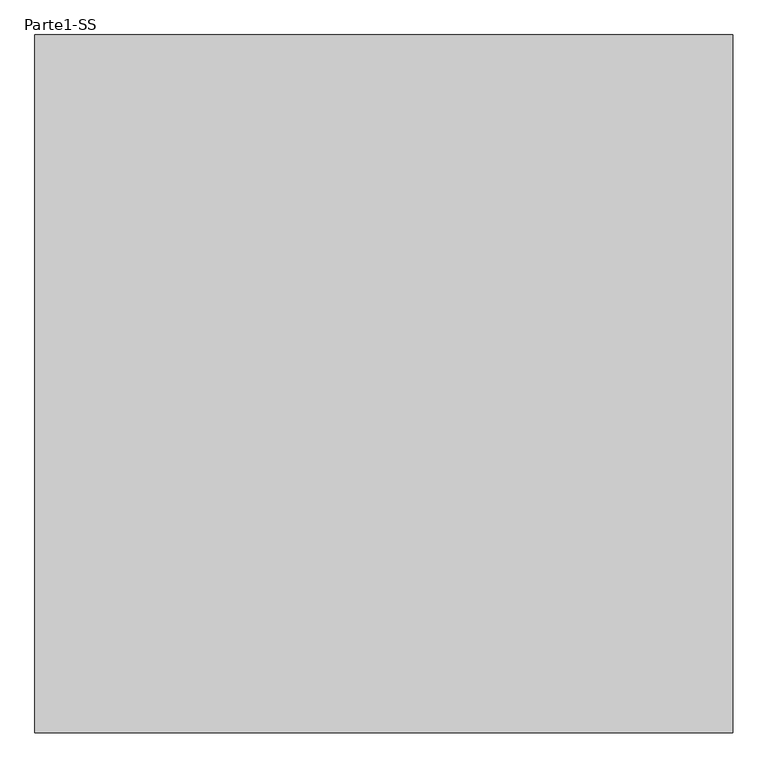
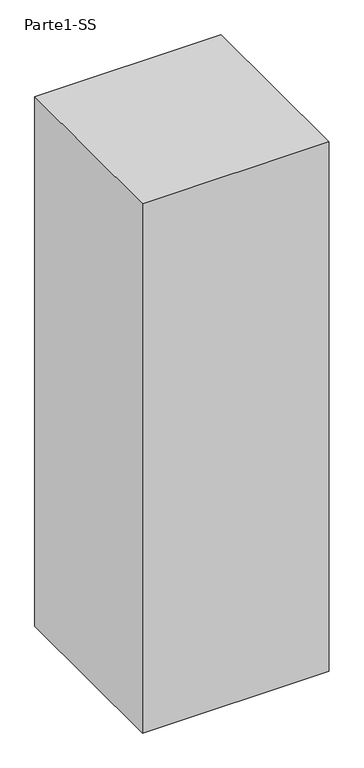
"""IFC4 building model written with IfcOpenShell, lengths in millimetres: proxy geometry, Parte1-SS."""

from ifc_helpers import new_model, si_unit, frame, origin, place, context, project, spatial, polyline, outline, extrude, source, transform, mapped, element, save


def parte1_ss_2db312ae(model_context):
    return source(origin(), model_context, "Body", "SweptSolid", [
        extrude(outline(polyline([(4000.0, 4000.0), (4000.0, 0.0), (0.0, 0.0), (0.0, 4000.0), (4000.0, 4000.0)])), frame((0.0, 0.0, 10000.0), z_axis=(0.0, 0.0, 1.0), x_axis=(1.0, 0.0, 0.0)), (0.0, 0.0, 1.0), 12000.0),
    ])


if __name__ == "__main__":
    model = new_model("IFC4")
    model_context = context("Model", 3, world=origin())
    ifc_project = project(units=[si_unit("LENGTHUNIT", "METRE", prefix="MILLI")], contexts=[model_context])
    site = spatial("IfcSite", under=ifc_project)
    building = spatial("IfcBuilding", under=site)
    placement = place(None, origin())
    parte1_ss_shape = parte1_ss_2db312ae(model_context)
    element("IfcBuildingElementProxy", 1, Name="Parte1-SS", ObjectType="Parte1-SS", at=placement, inside=building, context=model_context, shape_type="MappedRepresentation", body=[
        mapped(parte1_ss_shape, transform((0.0, 0.0, 0.0), x_axis=(1.0, 0.0, 0.0), y_axis=(0.0, 1.0, 0.0), z_axis=(0.0, 0.0, 1.0))),
    ])
    save(model, "model.ifc")
